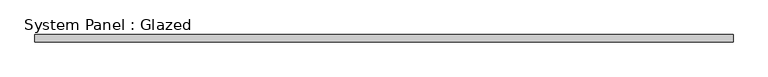
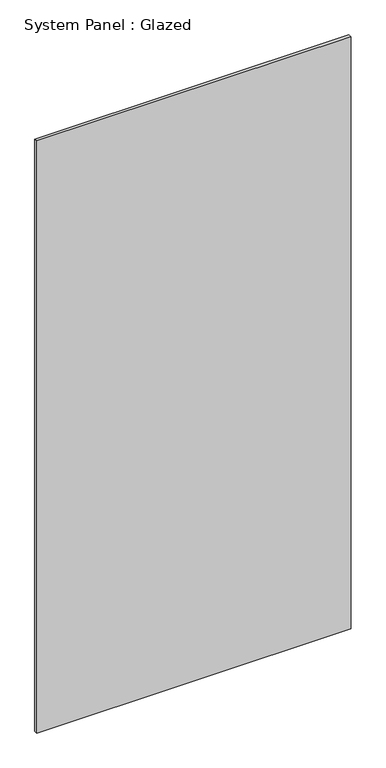
"""IFC4 building model written with IfcOpenShell, lengths in millimetres: plate geometry, System Panel : Glazed."""

from ifc_helpers import new_model, si_unit, origin, origin_with_axes, place, context, project, spatial, polyline, outline, extrude, source, transform, mapped, element, save


def system_panel_glazed_e9fe2306(model_context):
    return source(origin(), model_context, "Body", "SweptSolid", [
        extrude(outline(polyline([(979.1666667, 90.0), (-979.1666667, 90.0), (-979.1666667, 110.0), (979.1666667, 110.0), (979.1666667, 90.0)])), origin_with_axes(), (0.0, 0.0, 1.0), 3900.0),
    ])


if __name__ == "__main__":
    model = new_model("IFC4")
    model_context = context("Model", 3, world=origin())
    ifc_project = project(units=[si_unit("LENGTHUNIT", "METRE", prefix="MILLI")], contexts=[model_context])
    site = spatial("IfcSite", under=ifc_project)
    building = spatial("IfcBuilding", under=site)
    placement = place(None, origin())
    system_panel_glazed_shape = system_panel_glazed_e9fe2306(model_context)
    element("IfcPlate", 1, ObjectType="System Panel : Glazed", at=placement, inside=building, context=model_context, shape_type="MappedRepresentation", body=[
        mapped(system_panel_glazed_shape, transform((0.0, 0.0, 0.0), x_axis=(1.0, 0.0, 0.0), y_axis=(0.0, 1.0, 0.0), z_axis=(0.0, 0.0, 1.0))),
    ])
    save(model, "model.ifc")
